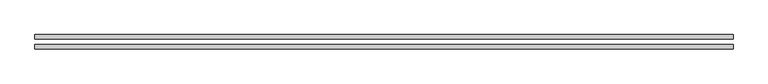
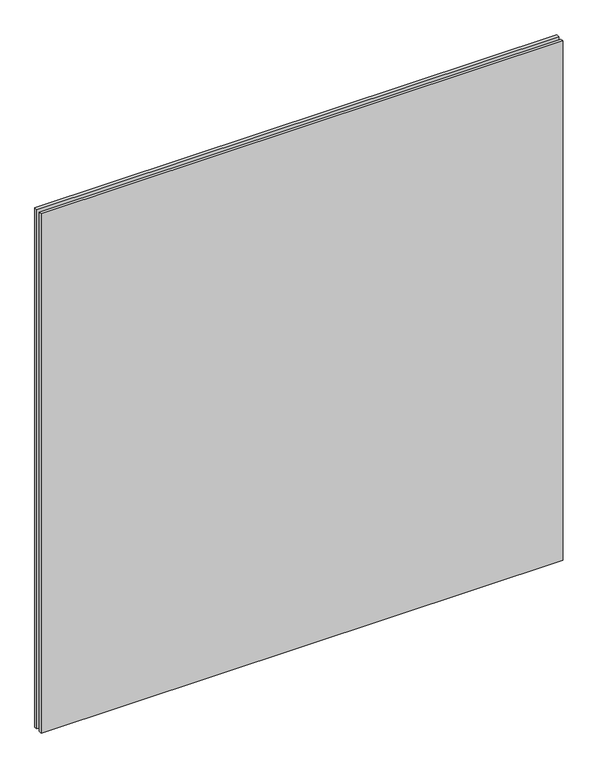
"""IFC4 building model written with IfcOpenShell, lengths in millimetres: plate geometry."""

from ifc_helpers import new_model, si_unit, origin, origin_with_axes, place, context, project, spatial, polyline, outline, extrude, source, transform, mapped, element, save


def plate_a8249e54(model_context):
    return source(origin(), model_context, "Body", "SweptSolid", [
        extrude(outline(polyline([(616.6, -40.8), (-616.6, -40.8), (-616.6, -32.8), (616.6, -32.8), (616.6, -40.8)])), origin_with_axes(), (0.0, 0.0, 1.0), 1295.5),
        extrude(outline(polyline([(616.6, -23.8), (-616.6, -23.8), (-616.6, -15.8), (616.6, -15.8), (616.6, -23.8)])), origin_with_axes(), (0.0, 0.0, 1.0), 1295.5),
    ])


if __name__ == "__main__":
    model = new_model("IFC4")
    model_context = context("Model", 3, world=origin())
    ifc_project = project(units=[si_unit("LENGTHUNIT", "METRE", prefix="MILLI")], contexts=[model_context])
    site = spatial("IfcSite", under=ifc_project)
    building = spatial("IfcBuilding", under=site)
    placement = place(None, origin())
    plate_shape = plate_a8249e54(model_context)
    element("IfcPlate", 1, at=placement, inside=building, context=model_context, shape_type="MappedRepresentation", body=[
        mapped(plate_shape, transform((0.0, 0.0, 0.0), x_axis=(1.0, 0.0, 0.0), y_axis=(0.0, 1.0, 0.0), z_axis=(0.0, 0.0, 1.0))),
    ])
    save(model, "model.ifc")
